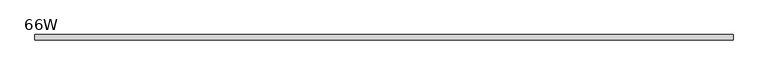
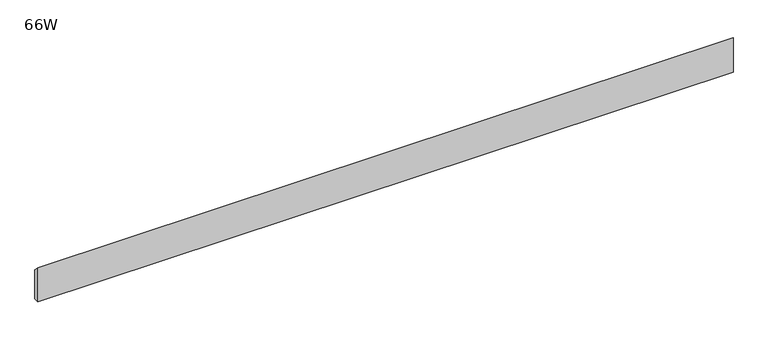
"""IFC4 building model written with IfcOpenShell, lengths in millimetres: furniture geometry, 66W."""

from ifc_helpers import new_model, si_unit, frame, origin, place, context, project, spatial, polyline, outline, extrude, source, transform, mapped, element, save


def furniture_66w_e649f56f(model_context):
    return source(origin(), model_context, "Body", "SweptSolid", [
        extrude(outline(polyline([(-11.938, 677.7482), (-11.938, 760.2982), (0.0, 747.5982), (0.0, 677.7482), (-11.938, 677.7482)])), frame((48.006, 0.0, 0.0), z_axis=(1.0, 0.0, 0.0), x_axis=(0.0, 1.0, 0.0)), (0.0, 0.0, 1.0), 1580.388),
    ])


if __name__ == "__main__":
    model = new_model("IFC4")
    model_context = context("Model", 3, world=origin())
    ifc_project = project(units=[si_unit("LENGTHUNIT", "METRE", prefix="MILLI")], contexts=[model_context])
    site = spatial("IfcSite", under=ifc_project)
    building = spatial("IfcBuilding", under=site)
    placement = place(None, origin())
    furniture_66w_shape = furniture_66w_e649f56f(model_context)
    element("IfcFurniture", 1, ObjectType="66W", at=placement, inside=building, context=model_context, shape_type="MappedRepresentation", body=[
        mapped(furniture_66w_shape, transform((0.0, 0.0, 0.0), x_axis=(1.0, 0.0, 0.0), y_axis=(0.0, 1.0, 0.0), z_axis=(0.0, 0.0, 1.0))),
    ])
    save(model, "model.ifc")
